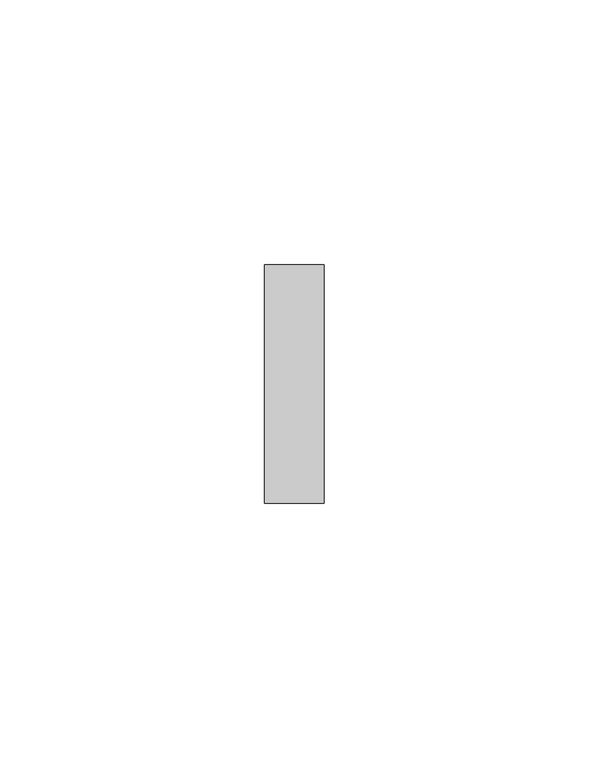
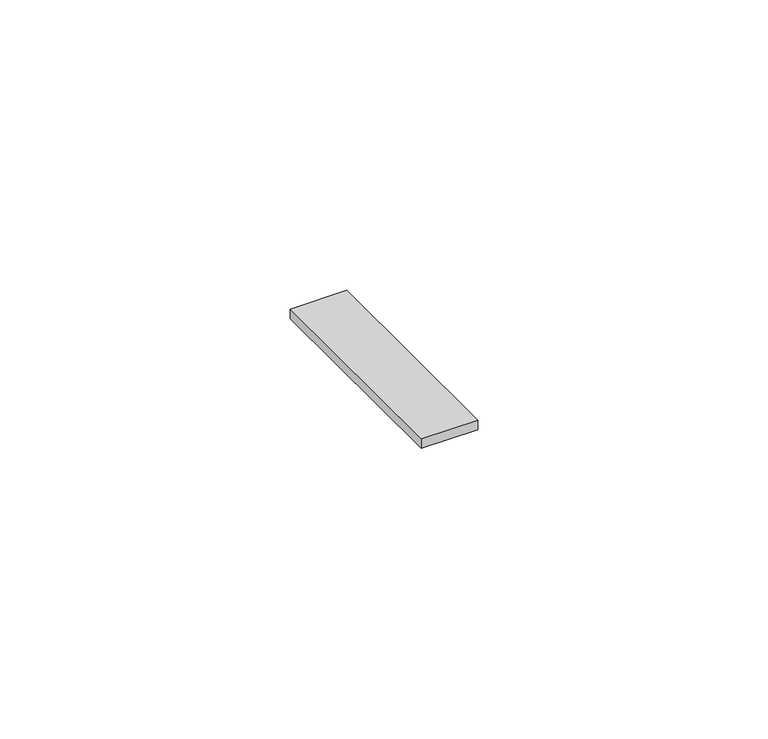
"""IFC4 building model written with IfcOpenShell, lengths in millimetres: proxy geometry."""

from ifc_helpers import new_model, si_unit, frame, origin, place, context, project, spatial, polyline, outline, extrude, source, transform, mapped, element, save


def electrical_fixtures_bf508ffb(model_context):
    return source(origin(), model_context, "Body", "SweptSolid", [
        extrude(outline(polyline([(0.0, 45.0), (11.25, 45.0), (11.25, 0.0), (0.0, 0.0), (0.0, 45.0)])), frame((0.0, 0.0, 3.0), z_axis=(0.0, 0.0, 1.0), x_axis=(1.0, 0.0, 0.0)), (0.0, 0.0, 1.0), 1.9896494),
    ])


if __name__ == "__main__":
    model = new_model("IFC4")
    model_context = context("Model", 3, world=origin())
    ifc_project = project(units=[si_unit("LENGTHUNIT", "METRE", prefix="MILLI")], contexts=[model_context])
    site = spatial("IfcSite", under=ifc_project)
    building = spatial("IfcBuilding", under=site)
    placement = place(None, origin())
    electrical_fixtures_shape = electrical_fixtures_bf508ffb(model_context)
    element("IfcBuildingElementProxy", 1, Name="Electrical Fixtures", at=placement, inside=building, context=model_context, shape_type="MappedRepresentation", body=[
        mapped(electrical_fixtures_shape, transform((0.0, 0.0, 0.0), x_axis=(1.0, 0.0, 0.0), y_axis=(0.0, 1.0, 0.0), z_axis=(0.0, 0.0, 1.0))),
    ])
    save(model, "model.ifc")
